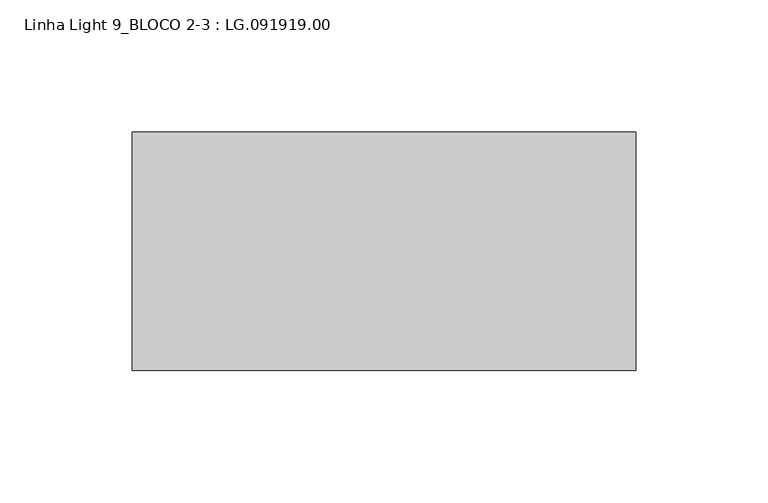
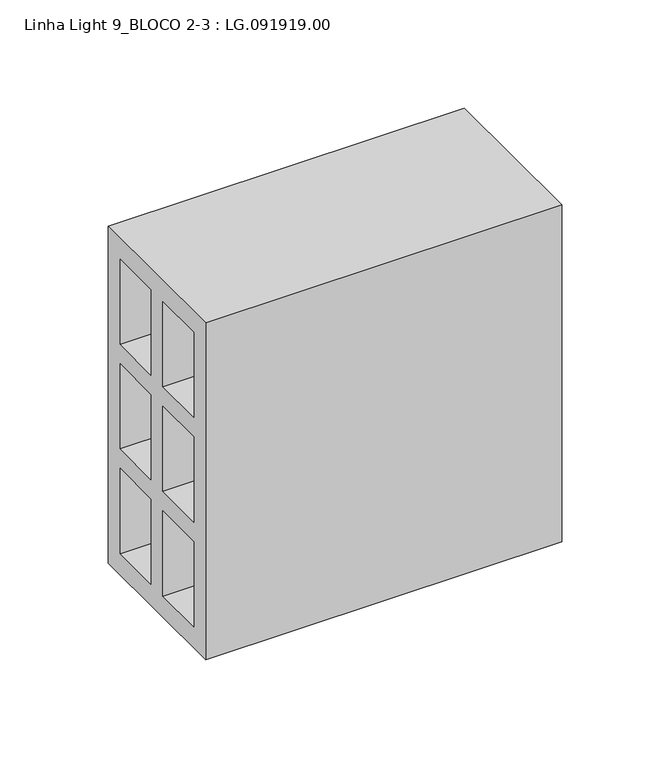
"""IFC4 building model written with IfcOpenShell, lengths in millimetres: proxy geometry, Linha Light 9_BLOCO 2-3 : LG.091919.00."""

from ifc_helpers import new_model, si_unit, frame, origin, place, context, project, spatial, polyline, outline, extrude, source, transform, mapped, element, save


def linha_light_9_bloco_2_3_lg_091919_00_8ac3d4a3(model_context):
    return source(origin(), model_context, "Body", "SweptSolid", [
        extrude(outline(polyline([(-45.0, 0.0), (-45.0, 190.0), (45.0, 190.0), (45.0, 0.0), (-45.0, 0.0)]), holes=[polyline([(5.5, 178.0), (5.5, 130.0), (34.0, 130.0), (34.0, 178.0), (5.5, 178.0)]), polyline([(-34.0, 178.0), (-34.0, 130.0), (-5.5, 130.0), (-5.5, 178.0), (-34.0, 178.0)]), polyline([(-5.5, 119.0), (-34.0, 119.0), (-34.0, 71.0), (-5.5, 71.0), (-5.5, 119.0)]), polyline([(34.0, 71.0), (34.0, 119.0), (5.5, 119.0), (5.5, 71.0), (34.0, 71.0)]), polyline([(34.0, 60.0), (5.5, 60.0), (5.5, 12.0), (34.0, 12.0), (34.0, 60.0)]), polyline([(-5.5, 60.0), (-34.0, 60.0), (-34.0, 12.0), (-5.5, 12.0), (-5.5, 60.0)])]), frame((5.0, 0.0, 0.0), z_axis=(1.0, 0.0, 0.0), x_axis=(0.0, 1.0, 0.0)), (0.0, 0.0, 1.0), 190.0),
    ])


if __name__ == "__main__":
    model = new_model("IFC4")
    model_context = context("Model", 3, world=origin())
    ifc_project = project(units=[si_unit("LENGTHUNIT", "METRE", prefix="MILLI")], contexts=[model_context])
    site = spatial("IfcSite", under=ifc_project)
    building = spatial("IfcBuilding", under=site)
    placement = place(None, origin())
    linha_light_9_bloco_2_3_lg_091919_00_shape = linha_light_9_bloco_2_3_lg_091919_00_8ac3d4a3(model_context)
    element("IfcBuildingElementProxy", 1, Name="Linha Light 9_BLOCO 2-3 : LG.091919.00", ObjectType="Linha Light 9_BLOCO 2-3 : LG.091919.00", at=placement, inside=building, context=model_context, shape_type="MappedRepresentation", body=[
        mapped(linha_light_9_bloco_2_3_lg_091919_00_shape, transform((0.0, 0.0, 0.0), x_axis=(1.0, 0.0, 0.0), y_axis=(0.0, 1.0, 0.0), z_axis=(0.0, 0.0, 1.0))),
    ])
    save(model, "model.ifc")
